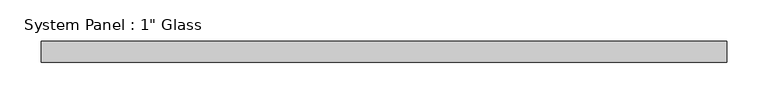
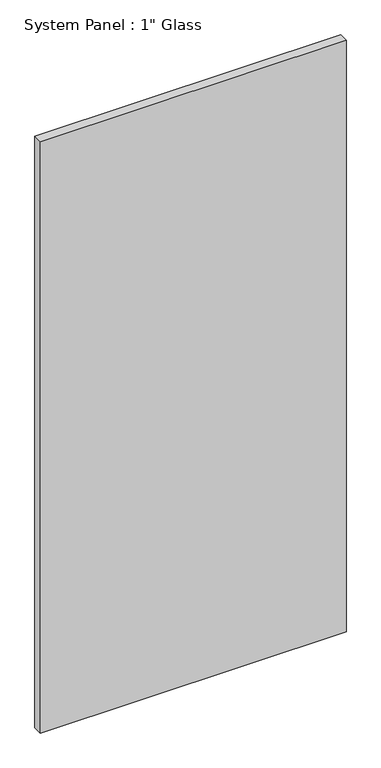
"""IFC4 building model written with IfcOpenShell, lengths in millimetres: plate geometry."""

from ifc_helpers import new_model, si_unit, origin, origin_with_axes, place, context, project, spatial, polyline, outline, extrude, source, transform, mapped, element, save


def plate_02174a76(model_context):
    return source(origin(), model_context, "Body", "SweptSolid", [
        extrude(outline(polyline([(414.3375, -12.7), (-414.3375, -12.7), (-414.3375, 12.7), (414.3375, 12.7), (414.3375, -12.7)])), origin_with_axes(), (0.0, 0.0, 1.0), 1695.45),
    ])


if __name__ == "__main__":
    model = new_model("IFC4")
    model_context = context("Model", 3, world=origin())
    ifc_project = project(units=[si_unit("LENGTHUNIT", "METRE", prefix="MILLI")], contexts=[model_context])
    site = spatial("IfcSite", under=ifc_project)
    building = spatial("IfcBuilding", under=site)
    placement = place(None, origin())
    plate_shape = plate_02174a76(model_context)
    element("IfcPlate", 1, ObjectType="System Panel : 1\" Glass", at=placement, inside=building, context=model_context, shape_type="MappedRepresentation", body=[
        mapped(plate_shape, transform((0.0, 0.0, 0.0), x_axis=(1.0, 0.0, 0.0), y_axis=(0.0, 1.0, 0.0), z_axis=(0.0, 0.0, 1.0))),
    ])
    save(model, "model.ifc")
